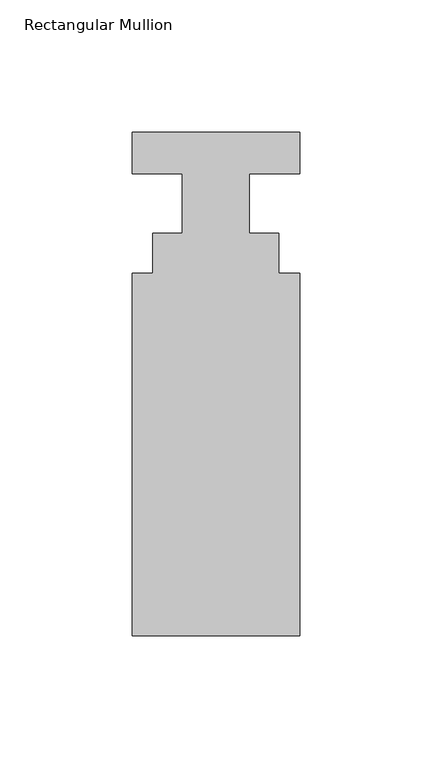
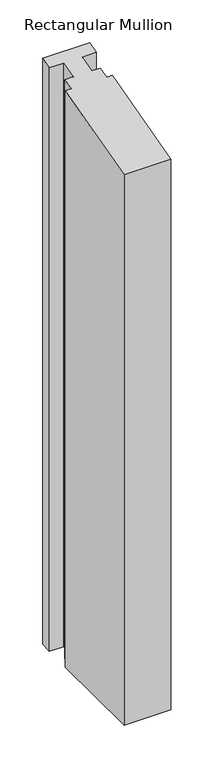
"""IFC4 building model written with IfcOpenShell, lengths in millimetres: member geometry, Rectangular Mullion."""

from ifc_helpers import new_model, si_unit, origin, place, context, project, spatial, faceted_brep, source, transform, mapped, element, save


def rectangular_mullion_36fd860a(model_context):
    return source(origin(), model_context, "Body", "Brep", [
        faceted_brep([(31.75, 20.7922812, -833.0922864), (31.75, 4.9172812, -833.0922864), (12.7, 4.9172812, -833.0922864), (12.7, -17.5617188, -833.0922864), (23.8252, -17.5617188, -833.0922864), (23.8252, -32.6239187, -833.0922864), (31.75, -32.6239187, -833.0922864), (31.75, -169.9617188, -833.0922864), (-31.75, -169.9617188, -833.0922864), (-31.75, -32.6239187, -833.0922864), (-23.8252, -32.6239187, -833.0922864), (-23.8252, -17.5617187, -833.0922864), (-12.7, -17.5617188, -833.0922864), (-12.7, 4.9172812, -833.0922864), (-31.75, 4.9172812, -833.0922864), (-31.75, 20.7922812, -833.0922864), (-31.75, 20.7922812, 5.571275), (31.75, 20.7922812, 5.571275), (-31.75, 4.9172812, 1.3175815), (-12.7, 4.9172812, 1.3175815), (-12.7, -17.5617188, -4.7056484), (-23.8252, -17.5617187, -4.7056484), (-23.8252, -32.6239187, -8.7415527), (-31.75, -32.6239187, -8.7415527), (-31.75, -169.9617188, -45.5411053), (31.75, -169.9617188, -45.5411053), (31.75, -32.6239187, -8.7415527), (23.8252, -32.6239187, -8.7415527), (23.8252, -17.5617188, -4.7056484), (12.7, -17.5617187, -4.7056484), (12.7, 4.9172812, 1.3175815), (31.75, 4.9172812, 1.3175815)], [[[0, 1, 2, 3, 4, 5, 6, 7, 8, 9, 10, 11, 12, 13, 14, 15]], [[16, 17, 0, 15]], [[18, 16, 15, 14]], [[19, 18, 14, 13]], [[20, 19, 13, 12]], [[21, 20, 12, 11]], [[22, 21, 11, 10]], [[23, 22, 10, 9]], [[24, 23, 9, 8]], [[25, 24, 8, 7]], [[26, 25, 7, 6]], [[27, 26, 6, 5]], [[28, 27, 5, 4]], [[29, 28, 4, 3]], [[30, 29, 3, 2]], [[31, 30, 2, 1]], [[17, 31, 1, 0]], [[17, 16, 18, 19, 20, 21, 22, 23, 24, 25, 26, 27, 28, 29, 30, 31]]]),
    ])


if __name__ == "__main__":
    model = new_model("IFC4")
    model_context = context("Model", 3, world=origin())
    ifc_project = project(units=[si_unit("LENGTHUNIT", "METRE", prefix="MILLI")], contexts=[model_context])
    site = spatial("IfcSite", under=ifc_project)
    building = spatial("IfcBuilding", under=site)
    placement = place(None, origin())
    rectangular_mullion_shape = rectangular_mullion_36fd860a(model_context)
    element("IfcMember", 1, ObjectType="Rectangular Mullion", at=placement, inside=building, context=model_context, shape_type="MappedRepresentation", body=[
        mapped(rectangular_mullion_shape, transform((0.0, 0.0, 0.0), x_axis=(1.0, 0.0, 0.0), y_axis=(0.0, 1.0, 0.0), z_axis=(0.0, 0.0, 1.0))),
    ])
    save(model, "model.ifc")
